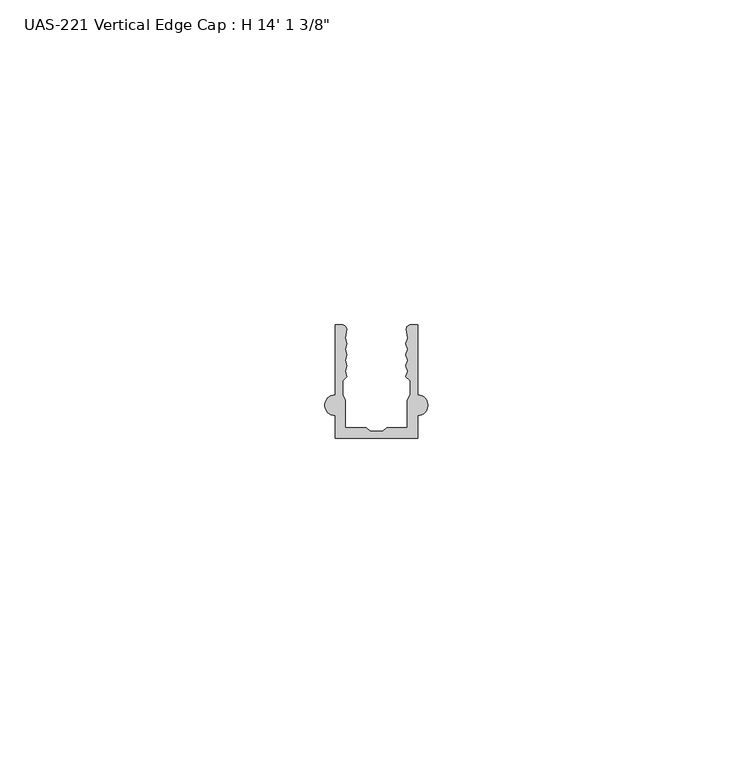
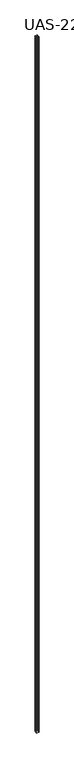
"""IFC4 building model written with IfcOpenShell, lengths in millimetres: proxy geometry."""

from ifc_helpers import new_model, si_unit, point, frame_2d, origin, origin_with_axes, place, context, project, spatial, polyline, circle_curve, trimmed, segment, composite_curve, outline, extrude, source, transform, mapped, element, save


def proxy_a8b40b91(model_context):
    return source(origin(), model_context, "Body", "SweptSolid", [
        extrude(outline(composite_curve([segment(polyline([(14.2875, 0.0), (1.5875, 0.0), (1.5875, 3.48615)]), True, "CONTINUOUS"), segment(trimmed(circle_curve(frame_2d((1.5875, 5.07365)), 1.5875), [point((1.5875, 3.48615))], [point((1.5875, 6.66115))], False, "CARTESIAN"), True, "CONTINUOUS"), segment(polyline([(1.5875, 6.66115), (1.5875, 17.4398781), (2.6288016, 17.4398781)]), True, "CONTINUOUS"), segment(trimmed(circle_curve(frame_2d((2.6288016, 16.7123859)), 0.7274922), [point((2.6288016, 17.4398781))], [point((3.3412585, 16.8595257))], False, "CARTESIAN"), True, "CONTINUOUS"), segment(polyline([(3.3412585, 16.8595257), (3.1475396, 15.3531342), (3.403871, 14.5147118), (3.1475396, 13.6762893), (3.403871, 12.8378669), (3.1475396, 11.9994444), (3.403871, 11.161022), (3.1475396, 10.3225996), (3.403871, 9.4841771), (2.76421, 8.844516), (2.76421, 6.6878438), (3.175, 5.8069017), (3.175, 1.5875), (6.35, 1.5875), (6.9567979, 1.0783361), (7.9375, 1.0783361), (8.9182021, 1.0783361), (9.525, 1.5875), (12.7, 1.5875), (12.7, 5.8069017), (13.11079, 6.6878438), (13.11079, 8.844516), (12.471129, 9.4841771), (12.7274604, 10.3225996), (12.471129, 11.161022), (12.7274604, 11.9994444), (12.471129, 12.8378669), (12.7274604, 13.6762893), (12.471129, 14.5147118), (12.7274604, 15.3531342), (12.5337415, 16.8595257)]), True, "CONTINUOUS"), segment(trimmed(circle_curve(frame_2d((13.2461984, 16.7123859)), 0.7274922), [point((12.5337415, 16.8595257))], [point((13.2461984, 17.4398781))], False, "CARTESIAN"), True, "CONTINUOUS"), segment(polyline([(13.2461984, 17.4398781), (14.2875, 17.4398781), (14.2875, 6.66115)]), True, "CONTINUOUS"), segment(trimmed(circle_curve(frame_2d((14.2875, 5.07365)), 1.5875), [point((14.2875, 6.66115))], [point((14.2875, 3.48615))], False, "CARTESIAN"), True, "CONTINUOUS"), segment(polyline([(14.2875, 3.48615), (14.2875, 0.0)]), True, "CONTINUOUS")], self_intersect=False)), origin_with_axes(), (0.0, 0.0, 1.0), 4302.125),
    ])


if __name__ == "__main__":
    model = new_model("IFC4")
    model_context = context("Model", 3, world=origin())
    ifc_project = project(units=[si_unit("LENGTHUNIT", "METRE", prefix="MILLI")], contexts=[model_context])
    site = spatial("IfcSite", under=ifc_project)
    building = spatial("IfcBuilding", under=site)
    placement = place(None, origin())
    proxy_shape = proxy_a8b40b91(model_context)
    element("IfcBuildingElementProxy", 1, Name="UAS-221 Vertical Edge Cap : H 14' 1 3/8\"", ObjectType="UAS-221 Vertical Edge Cap : H 14' 1 3/8\"", at=placement, inside=building, context=model_context, shape_type="MappedRepresentation", body=[
        mapped(proxy_shape, transform((0.0, 0.0, 0.0), x_axis=(1.0, 0.0, 0.0), y_axis=(0.0, 1.0, 0.0), z_axis=(0.0, 0.0, 1.0))),
    ])
    save(model, "model.ifc")
